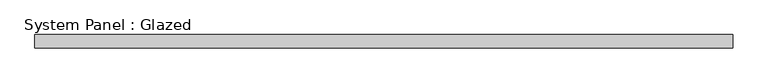
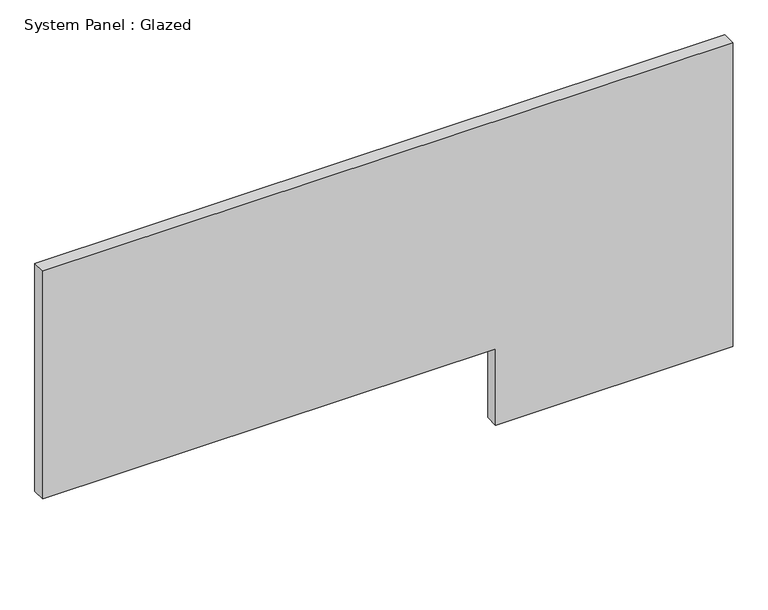
"""IFC4 building model written with IfcOpenShell, lengths in millimetres: plate geometry, System Panel : Glazed."""

from ifc_helpers import new_model, si_unit, frame, origin, place, context, project, spatial, polyline, outline, extrude, source, transform, mapped, element, save


def system_panel_glazed_5af6c413(model_context):
    return source(origin(), model_context, "Body", "SweptSolid", [
        extrude(outline(polyline([(0.0, 204.5477168), (0.0, 654.05), (609.6, 654.05), (609.6, -654.05), (152.4, -654.05), (152.4, 204.5477168), (0.0, 204.5477168)])), frame((0.0, 19.05, 0.0), z_axis=(0.0, 1.0, 0.0), x_axis=(0.0, 0.0, 1.0)), (0.0, 0.0, 1.0), 25.4),
    ])


if __name__ == "__main__":
    model = new_model("IFC4")
    model_context = context("Model", 3, world=origin())
    ifc_project = project(units=[si_unit("LENGTHUNIT", "METRE", prefix="MILLI")], contexts=[model_context])
    site = spatial("IfcSite", under=ifc_project)
    building = spatial("IfcBuilding", under=site)
    placement = place(None, origin())
    system_panel_glazed_shape = system_panel_glazed_5af6c413(model_context)
    element("IfcPlate", 1, ObjectType="System Panel : Glazed", at=placement, inside=building, context=model_context, shape_type="MappedRepresentation", body=[
        mapped(system_panel_glazed_shape, transform((0.0, 0.0, 0.0), x_axis=(1.0, 0.0, 0.0), y_axis=(0.0, 1.0, 0.0), z_axis=(0.0, 0.0, 1.0))),
    ])
    save(model, "model.ifc")
